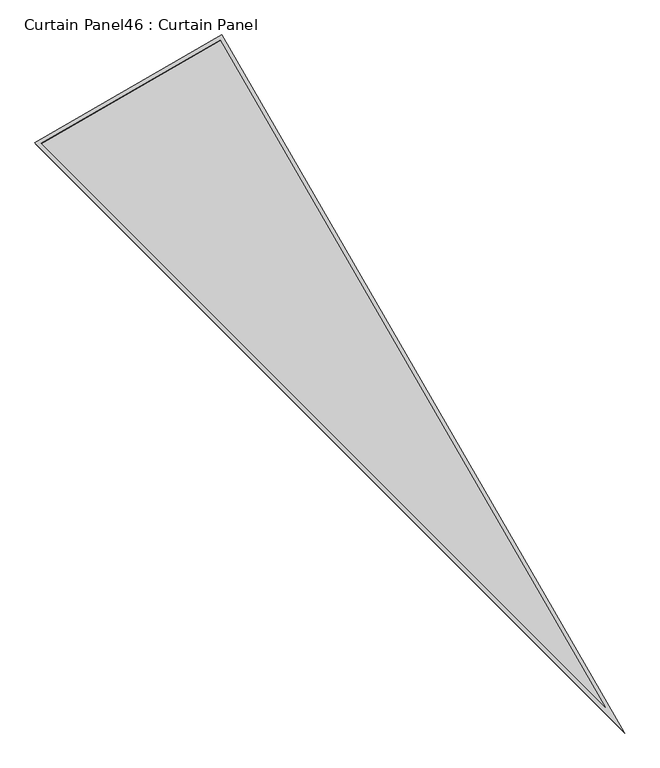
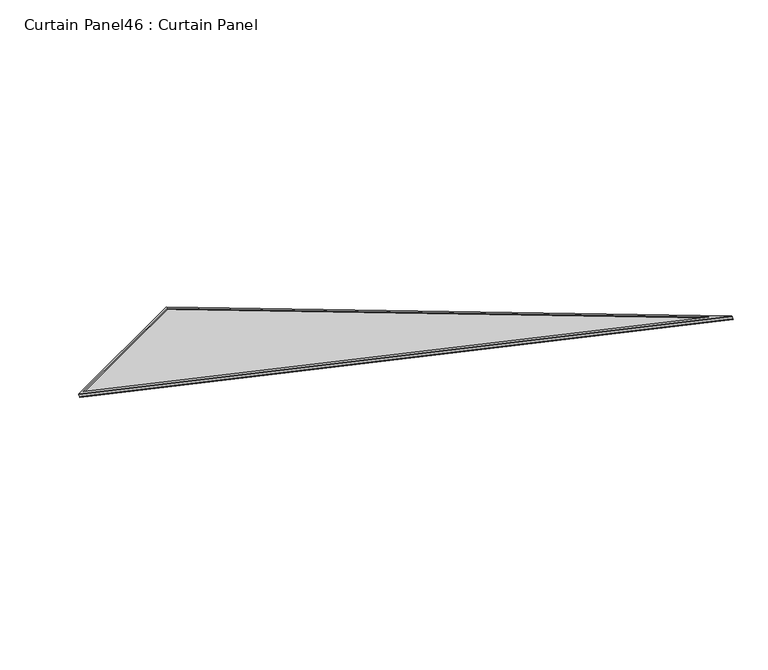
"""IFC4 building model written with IfcOpenShell, lengths in millimetres: plate geometry, Curtain Panel46 : Curtain Panel."""

from ifc_helpers import new_model, si_unit, frame, origin, place, context, project, spatial, polyline, outline, extrude, source, transform, mapped, element, save


def curtain_panel46_curtain_panel_7aa707b1(model_context):
    return source(origin(), model_context, "Body", "SweptSolid", [
        extrude(outline(polyline([(895.9373554, 0.0), (895.9373554, -3524.4506618), (0.0, 0.0), (895.9373554, 0.0)]), holes=[polyline([(885.6245575, -10.3127979), (13.2623702, -10.3127978), (885.6245575, -3442.0231397), (885.6245575, -10.3127979)])]), frame((7430.0349583, 6210.7749714, 881.9772337), z_axis=(-0.15807291198689866, 0.2737903148616799, 0.9487106081329144), x_axis=(0.8660254037844441, 0.49999999999999056, 0.0)), (0.0, 0.0, 1.0), 4.8372565),
        extrude(outline(polyline([(895.9373554, 0.0), (895.9373554, -3524.4506618), (0.0, 0.0), (895.9373554, 0.0)]), holes=[polyline([(879.2745575, -16.6627979), (21.4285394, -16.6627978), (879.2745575, -3391.2692346), (879.2745575, -16.6627979)])]), frame((7427.2559275, 6215.5883939, 898.6562202), z_axis=(-0.15807291198689918, 0.2737903148616799, 0.9487106081329144), x_axis=(0.8660254037844437, 0.4999999999999912, 0.0)), (0.0, 0.0, 1.0), 4.8983107),
        extrude(outline(polyline([(20.183654, 0.0), (916.1210094, 0.0), (916.1210095, -3524.4506619), (20.183654, 0.0)])), frame((7411.8261705, 6201.9462089, 886.3538776), z_axis=(-0.15807291198689918, 0.2737903148616805, 0.9487106081329142), x_axis=(0.8660254037844443, 0.49999999999999023, 0.0)), (0.0, 0.0, 1.0), 12.9674343),
    ])


if __name__ == "__main__":
    model = new_model("IFC4")
    model_context = context("Model", 3, world=origin())
    ifc_project = project(units=[si_unit("LENGTHUNIT", "METRE", prefix="MILLI")], contexts=[model_context])
    site = spatial("IfcSite", under=ifc_project)
    building = spatial("IfcBuilding", under=site)
    placement = place(None, origin())
    curtain_panel46_curtain_panel_shape = curtain_panel46_curtain_panel_7aa707b1(model_context)
    element("IfcPlate", 1, ObjectType="Curtain Panel46 : Curtain Panel", at=placement, inside=building, context=model_context, shape_type="MappedRepresentation", body=[
        mapped(curtain_panel46_curtain_panel_shape, transform((0.0, 0.0, 0.0), x_axis=(1.0, 0.0, 0.0), y_axis=(0.0, 1.0, 0.0), z_axis=(0.0, 0.0, 1.0))),
    ])
    save(model, "model.ifc")
